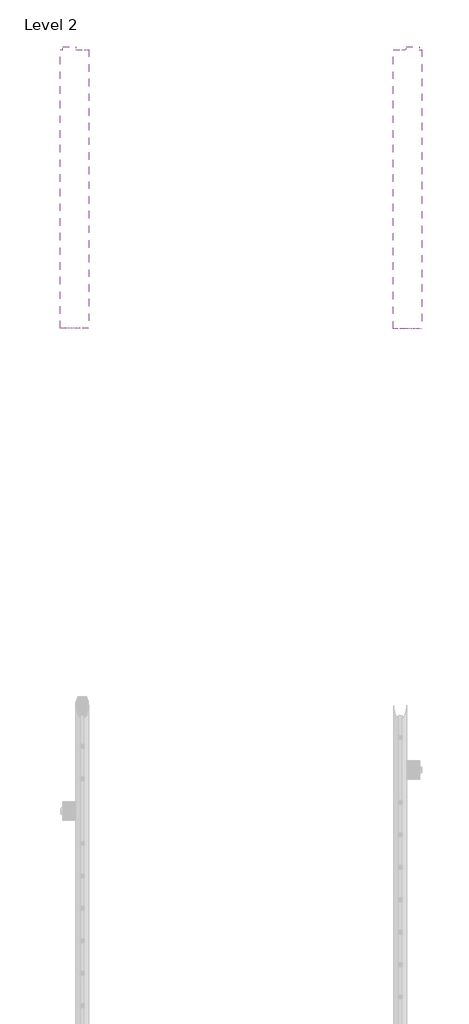
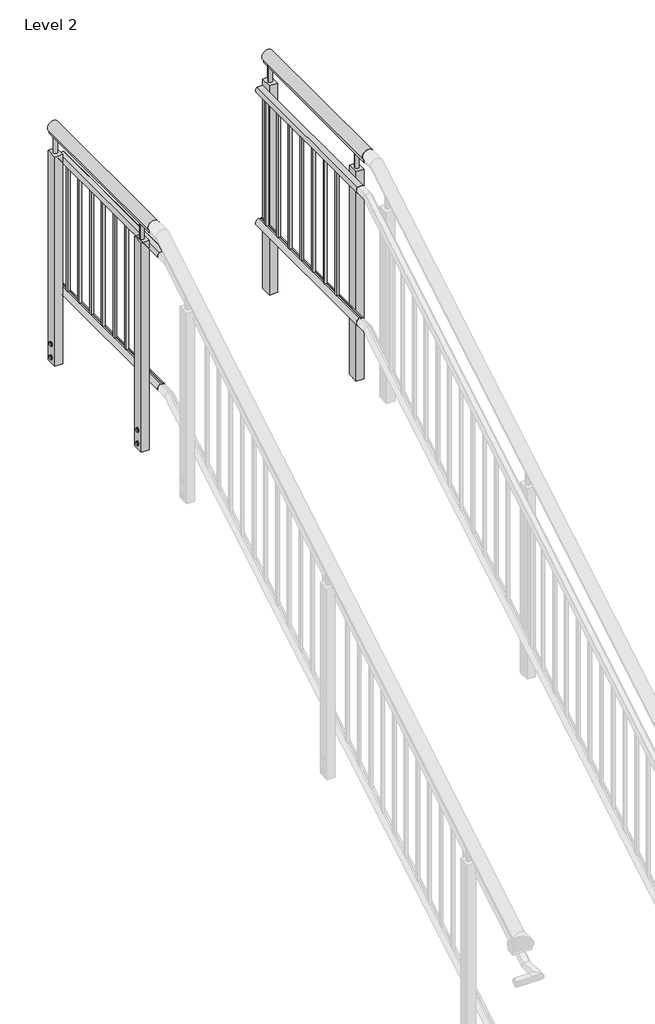
# One storey, part 4 of 4: 2 railings.
"""IFC4 building model written with IfcOpenShell, lengths in millimetres."""

from ifc_helpers import new_model, si_unit, point, frame, frame_2d, origin, place, context, project, spatial, polyline, circle_curve, trimmed, segment, composite_curve, outline, extrude, element, save

model = new_model("IFC4")

# Units and contexts
model_context = context("Model", 3, world=origin())
ifc_project = project(units=[si_unit("LENGTHUNIT", "METRE", prefix="MILLI")], contexts=[model_context])

# Site, building, storey
site = spatial("IfcSite", under=ifc_project)
building = spatial("IfcBuilding", under=site)
storey = spatial("IfcBuildingStorey", under=building, Name="Level 2", Elevation=4000.0)

# Railings
placement = place(None, origin())
element("IfcRailing", 1, ObjectType="MT_Accessible stair with Balustrade_Level 4", at=placement, inside=storey, context=model_context, shape_type="SweptSolid", body=[
    extrude(outline(composite_curve([segment(trimmed(circle_curve(frame_2d((6710.0, -1187.9698503)), 28.3397674), [point((6690.8057322, -1167.1198503))], [point((6690.8057322, -1208.8198503))], False, "CARTESIAN"), True, "CONTINUOUS"), segment(polyline([(6690.8057322, -1208.8198503), (6678.0, -1208.8198503), (6678.0, -1167.1198503), (6690.8057322, -1167.1198503)]), True, "CONTINUOUS")], self_intersect=False)), frame((0.0, 2567.5153131, 0.0), z_axis=(0.0, 1.0, 0.0), x_axis=(0.0, 0.0, 1.0)), (0.0, 0.0, 1.0), 859.0),
    extrude(outline(composite_curve([segment(trimmed(circle_curve(frame_2d((6545.0, -1148.8300828)), 20.0), [point((6525.9454038, -1142.7537055))], [point((6560.0, -1135.6013263))], False, "CARTESIAN"), True, "CONTINUOUS"), segment(polyline([(6560.0, -1135.6013263), (6560.0, -1162.0588394)]), True, "CONTINUOUS"), segment(trimmed(circle_curve(frame_2d((6545.0, -1148.8300828)), 20.0), [point((6560.0, -1162.0588394))], [point((6525.7728949, -1154.3363))], False, "CARTESIAN"), True, "CONTINUOUS"), segment(polyline([(6525.7728949, -1154.3363), (6530.0, -1154.3363), (6530.0, -1142.7537055), (6525.9454038, -1142.7537055)]), True, "CONTINUOUS")], self_intersect=False)), frame((0.0, 2567.5153131, 0.0), z_axis=(0.0, 1.0, 0.0), x_axis=(0.0, 0.0, 1.0)), (0.0, 0.0, 1.0), 859.0),
    extrude(outline(composite_curve([segment(trimmed(circle_curve(frame_2d((5854.2, -1148.8300828)), 20.0), [point((5873.2545962, -1154.9064602))], [point((5839.2, -1162.0588394))], False, "CARTESIAN"), True, "CONTINUOUS"), segment(polyline([(5839.2, -1162.0588394), (5839.2, -1135.6013263)]), True, "CONTINUOUS"), segment(trimmed(circle_curve(frame_2d((5854.2, -1148.8300828)), 20.0), [point((5839.2, -1135.6013263))], [point((5873.4271051, -1143.3238656))], False, "CARTESIAN"), True, "CONTINUOUS"), segment(polyline([(5873.4271051, -1143.3238656), (5869.2, -1143.3238656), (5869.2, -1154.9064602), (5873.2545962, -1154.9064602)]), True, "CONTINUOUS")], self_intersect=False)), frame((0.0, 2567.5153131, 0.0), z_axis=(0.0, 1.0, 0.0), x_axis=(0.0, 0.0, 1.0)), (0.0, 0.0, 1.0), 859.0),
    extrude(outline(polyline([(-1142.8300828, 3361.5153131), (-1154.8300828, 3361.5153131), (-1154.8300828, 3373.5153131), (-1142.8300828, 3373.5153131), (-1142.8300828, 3361.5153131)])), frame((0.0, 0.0, 5873.4271051), z_axis=(0.0, 0.0, 1.0), x_axis=(1.0, 0.0, 0.0)), (0.0, 0.0, 1.0), 656.5728949),
    extrude(outline(polyline([(-1142.8300828, 3261.5153131), (-1154.8300828, 3261.5153131), (-1154.8300828, 3273.5153131), (-1142.8300828, 3273.5153131), (-1142.8300828, 3261.5153131)])), frame((0.0, 0.0, 5873.4271051), z_axis=(0.0, 0.0, 1.0), x_axis=(1.0, 0.0, 0.0)), (0.0, 0.0, 1.0), 656.5728949),
    extrude(outline(polyline([(-1142.8300828, 3161.5153131), (-1154.8300828, 3161.5153131), (-1154.8300828, 3173.5153131), (-1142.8300828, 3173.5153131), (-1142.8300828, 3161.5153131)])), frame((0.0, 0.0, 5873.4271051), z_axis=(0.0, 0.0, 1.0), x_axis=(1.0, 0.0, 0.0)), (0.0, 0.0, 1.0), 656.5728949),
    extrude(outline(polyline([(-1142.8300828, 3061.5153131), (-1154.8300828, 3061.5153131), (-1154.8300828, 3073.5153131), (-1142.8300828, 3073.5153131), (-1142.8300828, 3061.5153131)])), frame((0.0, 0.0, 5873.4271051), z_axis=(0.0, 0.0, 1.0), x_axis=(1.0, 0.0, 0.0)), (0.0, 0.0, 1.0), 656.5728949),
    extrude(outline(polyline([(-1142.8300828, 2961.5153131), (-1154.8300828, 2961.5153131), (-1154.8300828, 2973.5153131), (-1142.8300828, 2973.5153131), (-1142.8300828, 2961.5153131)])), frame((0.0, 0.0, 5873.4271051), z_axis=(0.0, 0.0, 1.0), x_axis=(1.0, 0.0, 0.0)), (0.0, 0.0, 1.0), 656.5728949),
    extrude(outline(polyline([(-1142.8300828, 2861.5153131), (-1154.8300828, 2861.5153131), (-1154.8300828, 2873.5153131), (-1142.8300828, 2873.5153131), (-1142.8300828, 2861.5153131)])), frame((0.0, 0.0, 5873.4271051), z_axis=(0.0, 0.0, 1.0), x_axis=(1.0, 0.0, 0.0)), (0.0, 0.0, 1.0), 656.5728949),
    extrude(outline(polyline([(-1142.8300828, 2761.5153131), (-1154.8300828, 2761.5153131), (-1154.8300828, 2773.5153131), (-1142.8300828, 2773.5153131), (-1142.8300828, 2761.5153131)])), frame((0.0, 0.0, 5873.4271051), z_axis=(0.0, 0.0, 1.0), x_axis=(1.0, 0.0, 0.0)), (0.0, 0.0, 1.0), 656.5728949),
    extrude(outline(polyline([(3406.5153131, 5535.7470054), (3416.5153131, 5529.9735027), (3416.5153131, 5518.4264973), (3406.5153131, 5512.6529946), (3396.5153131, 5518.4264973), (3396.5153131, 5529.9735027), (3406.5153131, 5535.7470054)])), frame((-1212.8300828, 0.0, 0.0), z_axis=(1.0, 0.0, 0.0), x_axis=(0.0, 1.0, 0.0)), (0.0, 0.0, 1.0), 4.0),
    extrude(outline(polyline([(3406.5153131, 5605.7470054), (3416.5153131, 5599.9735027), (3416.5153131, 5588.4264973), (3406.5153131, 5582.6529946), (3396.5153131, 5588.4264973), (3396.5153131, 5599.9735027), (3406.5153131, 5605.7470054)])), frame((-1212.8300828, 0.0, 0.0), z_axis=(1.0, 0.0, 0.0), x_axis=(0.0, 1.0, 0.0)), (0.0, 0.0, 1.0), 4.0),
    extrude(outline(composite_curve([segment(trimmed(circle_curve(frame_2d((3406.5153131, 5524.2)), 8.0), [point((3398.5153131, 5524.2))], [point((3414.5153131, 5524.2))], False, "CARTESIAN"), True, "CONTINUOUS"), segment(trimmed(circle_curve(frame_2d((3406.5153131, 5524.2)), 8.0), [point((3414.5153131, 5524.2))], [point((3398.5153131, 5524.2))], False, "CARTESIAN"), True, "CONTINUOUS")], self_intersect=False)), frame((-1214.8300828, 0.0, 0.0), z_axis=(1.0, 0.0, 0.0), x_axis=(0.0, 1.0, 0.0)), (0.0, 0.0, 1.0), 6.0),
    extrude(outline(composite_curve([segment(trimmed(circle_curve(frame_2d((3406.5153131, 5594.2)), 8.0), [point((3398.5153131, 5594.2))], [point((3414.5153131, 5594.2))], False, "CARTESIAN"), True, "CONTINUOUS"), segment(trimmed(circle_curve(frame_2d((3406.5153131, 5594.2)), 8.0), [point((3414.5153131, 5594.2))], [point((3398.5153131, 5594.2))], False, "CARTESIAN"), True, "CONTINUOUS")], self_intersect=False)), frame((-1214.8300828, 0.0, 0.0), z_axis=(1.0, 0.0, 0.0), x_axis=(0.0, 1.0, 0.0)), (0.0, 0.0, 1.0), 6.0),
    extrude(outline(composite_curve([segment(trimmed(circle_curve(frame_2d((-1188.8300828, 3406.5153131)), 10.0), [point((-1198.8300828, 3406.5153131))], [point((-1178.8300828, 3406.5153131))], False, "CARTESIAN"), True, "CONTINUOUS"), segment(trimmed(circle_curve(frame_2d((-1188.8300828, 3406.5153131)), 10.0), [point((-1178.8300828, 3406.5153131))], [point((-1198.8300828, 3406.5153131))], False, "CARTESIAN"), True, "CONTINUOUS")], self_intersect=False)), frame((0.0, 0.0, 6585.0), z_axis=(0.0, 0.0, 1.0), x_axis=(1.0, 0.0, 0.0)), (0.0, 0.0, 1.0), 100.0),
    extrude(outline(polyline([(-1168.8300828, 3377.5153131), (-1208.8300828, 3377.5153131), (-1208.8300828, 3435.5153131), (-1168.8300828, 3435.5153131), (-1168.8300828, 3377.5153131)])), frame((0.0, 0.0, 5494.2), z_axis=(0.0, 0.0, 1.0), x_axis=(1.0, 0.0, 0.0)), (0.0, 0.0, 1.0), 1090.8),
    extrude(outline(polyline([(2667.5153131, 5535.7470054), (2677.5153131, 5529.9735027), (2677.5153131, 5518.4264973), (2667.5153131, 5512.6529946), (2657.5153131, 5518.4264973), (2657.5153131, 5529.9735027), (2667.5153131, 5535.7470054)])), frame((-1212.8300828, 0.0, 0.0), z_axis=(1.0, 0.0, 0.0), x_axis=(0.0, 1.0, 0.0)), (0.0, 0.0, 1.0), 4.0),
    extrude(outline(polyline([(2667.5153131, 5605.7470054), (2677.5153131, 5599.9735027), (2677.5153131, 5588.4264973), (2667.5153131, 5582.6529946), (2657.5153131, 5588.4264973), (2657.5153131, 5599.9735027), (2667.5153131, 5605.7470054)])), frame((-1212.8300828, 0.0, 0.0), z_axis=(1.0, 0.0, 0.0), x_axis=(0.0, 1.0, 0.0)), (0.0, 0.0, 1.0), 4.0),
    extrude(outline(composite_curve([segment(trimmed(circle_curve(frame_2d((2667.5153131, 5524.2)), 8.0), [point((2659.5153131, 5524.2))], [point((2675.5153131, 5524.2))], False, "CARTESIAN"), True, "CONTINUOUS"), segment(trimmed(circle_curve(frame_2d((2667.5153131, 5524.2)), 8.0), [point((2675.5153131, 5524.2))], [point((2659.5153131, 5524.2))], False, "CARTESIAN"), True, "CONTINUOUS")], self_intersect=False)), frame((-1214.8300828, 0.0, 0.0), z_axis=(1.0, 0.0, 0.0), x_axis=(0.0, 1.0, 0.0)), (0.0, 0.0, 1.0), 6.0),
    extrude(outline(composite_curve([segment(trimmed(circle_curve(frame_2d((2667.5153131, 5594.2)), 8.0), [point((2659.5153131, 5594.2))], [point((2675.5153131, 5594.2))], False, "CARTESIAN"), True, "CONTINUOUS"), segment(trimmed(circle_curve(frame_2d((2667.5153131, 5594.2)), 8.0), [point((2675.5153131, 5594.2))], [point((2659.5153131, 5594.2))], False, "CARTESIAN"), True, "CONTINUOUS")], self_intersect=False)), frame((-1214.8300828, 0.0, 0.0), z_axis=(1.0, 0.0, 0.0), x_axis=(0.0, 1.0, 0.0)), (0.0, 0.0, 1.0), 6.0),
    extrude(outline(composite_curve([segment(trimmed(circle_curve(frame_2d((-1188.8300828, 2667.5153131)), 10.0), [point((-1198.8300828, 2667.5153131))], [point((-1178.8300828, 2667.5153131))], False, "CARTESIAN"), True, "CONTINUOUS"), segment(trimmed(circle_curve(frame_2d((-1188.8300828, 2667.5153131)), 10.0), [point((-1178.8300828, 2667.5153131))], [point((-1198.8300828, 2667.5153131))], False, "CARTESIAN"), True, "CONTINUOUS")], self_intersect=False)), frame((0.0, 0.0, 6585.0), z_axis=(0.0, 0.0, 1.0), x_axis=(1.0, 0.0, 0.0)), (0.0, 0.0, 1.0), 100.0),
    extrude(outline(polyline([(-1168.8300828, 2638.5153131), (-1208.8300828, 2638.5153131), (-1208.8300828, 2696.5153131), (-1168.8300828, 2696.5153131), (-1168.8300828, 2638.5153131)])), frame((0.0, 0.0, 5494.2), z_axis=(0.0, 0.0, 1.0), x_axis=(1.0, 0.0, 0.0)), (0.0, 0.0, 1.0), 1090.8),
])
element("IfcRailing", 2, ObjectType="MT_Accessible stair with Balustrade_Level 4", at=placement, inside=storey, context=model_context, shape_type="SweptSolid", body=[
    extrude(outline(composite_curve([segment(trimmed(circle_curve(frame_2d((6710.0, -130.4903154)), 28.3397674), [point((6690.8057322, -109.6403154))], [point((6690.8057322, -151.3403154))], False, "CARTESIAN"), True, "CONTINUOUS"), segment(polyline([(6690.8057322, -151.3403154), (6678.0, -151.3403154), (6678.0, -109.6403154), (6690.8057322, -109.6403154)]), True, "CONTINUOUS")], self_intersect=False)), frame((0.0, 2566.5153131, 0.0), z_axis=(0.0, 1.0, 0.0), x_axis=(0.0, 0.0, 1.0)), (0.0, 0.0, 1.0), 860.0),
    extrude(outline(composite_curve([segment(polyline([(6525.9454038, -175.7064602), (6530.0, -175.7064602), (6530.0, -164.1238656), (6525.7728949, -164.1238656)]), True, "CONTINUOUS"), segment(trimmed(circle_curve(frame_2d((6545.0, -169.6300828)), 20.0), [point((6525.7728949, -164.1238656))], [point((6560.0, -156.4013263))], False, "CARTESIAN"), True, "CONTINUOUS"), segment(polyline([(6560.0, -156.4013263), (6560.0, -182.8588394)]), True, "CONTINUOUS"), segment(trimmed(circle_curve(frame_2d((6545.0, -169.6300828)), 20.0), [point((6560.0, -182.8588394))], [point((6525.9454038, -175.7064602))], False, "CARTESIAN"), True, "CONTINUOUS")], self_intersect=False)), frame((0.0, 2566.5153131, 0.0), z_axis=(0.0, 1.0, 0.0), x_axis=(0.0, 0.0, 1.0)), (0.0, 0.0, 1.0), 860.0),
    extrude(outline(composite_curve([segment(polyline([(5873.2545962, -163.5537055), (5869.2, -163.5537055), (5869.2, -175.1363), (5873.4271051, -175.1363)]), True, "CONTINUOUS"), segment(trimmed(circle_curve(frame_2d((5854.2, -169.6300828)), 20.0), [point((5873.4271051, -175.1363))], [point((5839.2, -182.8588394))], False, "CARTESIAN"), True, "CONTINUOUS"), segment(polyline([(5839.2, -182.8588394), (5839.2, -156.4013263)]), True, "CONTINUOUS"), segment(trimmed(circle_curve(frame_2d((5854.2, -169.6300828)), 20.0), [point((5839.2, -156.4013263))], [point((5873.2545962, -163.5537055))], False, "CARTESIAN"), True, "CONTINUOUS")], self_intersect=False)), frame((0.0, 2566.5153131, 0.0), z_axis=(0.0, 1.0, 0.0), x_axis=(0.0, 0.0, 1.0)), (0.0, 0.0, 1.0), 860.0),
    extrude(outline(polyline([(-175.6300828, 3360.5153131), (-175.6300828, 3372.5153131), (-163.6300828, 3372.5153131), (-163.6300828, 3360.5153131), (-175.6300828, 3360.5153131)])), frame((0.0, 0.0, 5873.4271051), z_axis=(0.0, 0.0, 1.0), x_axis=(1.0, 0.0, 0.0)), (0.0, 0.0, 1.0), 656.5728949),
    extrude(outline(polyline([(-175.6300828, 3260.5153131), (-175.6300828, 3272.5153131), (-163.6300828, 3272.5153131), (-163.6300828, 3260.5153131), (-175.6300828, 3260.5153131)])), frame((0.0, 0.0, 5873.4271051), z_axis=(0.0, 0.0, 1.0), x_axis=(1.0, 0.0, 0.0)), (0.0, 0.0, 1.0), 656.5728949),
    extrude(outline(polyline([(-175.6300828, 3160.5153131), (-175.6300828, 3172.5153131), (-163.6300828, 3172.5153131), (-163.6300828, 3160.5153131), (-175.6300828, 3160.5153131)])), frame((0.0, 0.0, 5873.4271051), z_axis=(0.0, 0.0, 1.0), x_axis=(1.0, 0.0, 0.0)), (0.0, 0.0, 1.0), 656.5728949),
    extrude(outline(polyline([(-175.6300828, 3060.5153131), (-175.6300828, 3072.5153131), (-163.6300828, 3072.5153131), (-163.6300828, 3060.5153131), (-175.6300828, 3060.5153131)])), frame((0.0, 0.0, 5873.4271051), z_axis=(0.0, 0.0, 1.0), x_axis=(1.0, 0.0, 0.0)), (0.0, 0.0, 1.0), 656.5728949),
    extrude(outline(polyline([(-175.6300828, 2960.5153131), (-175.6300828, 2972.5153131), (-163.6300828, 2972.5153131), (-163.6300828, 2960.5153131), (-175.6300828, 2960.5153131)])), frame((0.0, 0.0, 5873.4271051), z_axis=(0.0, 0.0, 1.0), x_axis=(1.0, 0.0, 0.0)), (0.0, 0.0, 1.0), 656.5728949),
    extrude(outline(polyline([(-175.6300828, 2860.5153131), (-175.6300828, 2872.5153131), (-163.6300828, 2872.5153131), (-163.6300828, 2860.5153131), (-175.6300828, 2860.5153131)])), frame((0.0, 0.0, 5873.4271051), z_axis=(0.0, 0.0, 1.0), x_axis=(1.0, 0.0, 0.0)), (0.0, 0.0, 1.0), 656.5728949),
    extrude(outline(polyline([(-175.6300828, 2760.5153131), (-175.6300828, 2772.5153131), (-163.6300828, 2772.5153131), (-163.6300828, 2760.5153131), (-175.6300828, 2760.5153131)])), frame((0.0, 0.0, 5873.4271051), z_axis=(0.0, 0.0, 1.0), x_axis=(1.0, 0.0, 0.0)), (0.0, 0.0, 1.0), 656.5728949),
    extrude(outline(polyline([(3406.5153131, 5535.7470054), (3416.5153131, 5529.9735027), (3416.5153131, 5518.4264973), (3406.5153131, 5512.6529946), (3396.5153131, 5518.4264973), (3396.5153131, 5529.9735027), (3406.5153131, 5535.7470054)])), frame((-109.6300828, 0.0, 0.0), z_axis=(1.0, 0.0, 0.0), x_axis=(0.0, 1.0, 0.0)), (0.0, 0.0, 1.0), 4.0),
    extrude(outline(polyline([(3406.5153131, 5605.7470054), (3416.5153131, 5599.9735027), (3416.5153131, 5588.4264973), (3406.5153131, 5582.6529946), (3396.5153131, 5588.4264973), (3396.5153131, 5599.9735027), (3406.5153131, 5605.7470054)])), frame((-109.6300828, 0.0, 0.0), z_axis=(1.0, 0.0, 0.0), x_axis=(0.0, 1.0, 0.0)), (0.0, 0.0, 1.0), 4.0),
    extrude(outline(composite_curve([segment(trimmed(circle_curve(frame_2d((3406.5153131, 5524.2)), 8.0), [point((3398.5153131, 5524.2))], [point((3414.5153131, 5524.2))], False, "CARTESIAN"), True, "CONTINUOUS"), segment(trimmed(circle_curve(frame_2d((3406.5153131, 5524.2)), 8.0), [point((3414.5153131, 5524.2))], [point((3398.5153131, 5524.2))], False, "CARTESIAN"), True, "CONTINUOUS")], self_intersect=False)), frame((-109.6300828, 0.0, 0.0), z_axis=(1.0, 0.0, 0.0), x_axis=(0.0, 1.0, 0.0)), (0.0, 0.0, 1.0), 6.0),
    extrude(outline(composite_curve([segment(trimmed(circle_curve(frame_2d((3406.5153131, 5594.2)), 8.0), [point((3398.5153131, 5594.2))], [point((3414.5153131, 5594.2))], False, "CARTESIAN"), True, "CONTINUOUS"), segment(trimmed(circle_curve(frame_2d((3406.5153131, 5594.2)), 8.0), [point((3414.5153131, 5594.2))], [point((3398.5153131, 5594.2))], False, "CARTESIAN"), True, "CONTINUOUS")], self_intersect=False)), frame((-109.6300828, 0.0, 0.0), z_axis=(1.0, 0.0, 0.0), x_axis=(0.0, 1.0, 0.0)), (0.0, 0.0, 1.0), 6.0),
    extrude(outline(composite_curve([segment(trimmed(circle_curve(frame_2d((-129.6300828, 3406.5153131)), 10.0), [point((-119.6300828, 3406.5153131))], [point((-139.6300828, 3406.5153131))], False, "CARTESIAN"), True, "CONTINUOUS"), segment(trimmed(circle_curve(frame_2d((-129.6300828, 3406.5153131)), 10.0), [point((-139.6300828, 3406.5153131))], [point((-119.6300828, 3406.5153131))], False, "CARTESIAN"), True, "CONTINUOUS")], self_intersect=False)), frame((0.0, 0.0, 6585.0), z_axis=(0.0, 0.0, 1.0), x_axis=(1.0, 0.0, 0.0)), (0.0, 0.0, 1.0), 100.0),
    extrude(outline(polyline([(-149.6300828, 3377.5153131), (-149.6300828, 3435.5153131), (-109.6300828, 3435.5153131), (-109.6300828, 3377.5153131), (-149.6300828, 3377.5153131)])), frame((0.0, 0.0, 5494.2), z_axis=(0.0, 0.0, 1.0), x_axis=(1.0, 0.0, 0.0)), (0.0, 0.0, 1.0), 1090.8),
    extrude(outline(polyline([(2666.5153131, 5535.7470054), (2676.5153131, 5529.9735027), (2676.5153131, 5518.4264973), (2666.5153131, 5512.6529946), (2656.5153131, 5518.4264973), (2656.5153131, 5529.9735027), (2666.5153131, 5535.7470054)])), frame((-109.6300828, 0.0, 0.0), z_axis=(1.0, 0.0, 0.0), x_axis=(0.0, 1.0, 0.0)), (0.0, 0.0, 1.0), 4.0),
    extrude(outline(polyline([(2666.5153131, 5605.7470054), (2676.5153131, 5599.9735027), (2676.5153131, 5588.4264973), (2666.5153131, 5582.6529946), (2656.5153131, 5588.4264973), (2656.5153131, 5599.9735027), (2666.5153131, 5605.7470054)])), frame((-109.6300828, 0.0, 0.0), z_axis=(1.0, 0.0, 0.0), x_axis=(0.0, 1.0, 0.0)), (0.0, 0.0, 1.0), 4.0),
    extrude(outline(composite_curve([segment(trimmed(circle_curve(frame_2d((2666.5153131, 5524.2)), 8.0), [point((2658.5153131, 5524.2))], [point((2674.5153131, 5524.2))], False, "CARTESIAN"), True, "CONTINUOUS"), segment(trimmed(circle_curve(frame_2d((2666.5153131, 5524.2)), 8.0), [point((2674.5153131, 5524.2))], [point((2658.5153131, 5524.2))], False, "CARTESIAN"), True, "CONTINUOUS")], self_intersect=False)), frame((-109.6300828, 0.0, 0.0), z_axis=(1.0, 0.0, 0.0), x_axis=(0.0, 1.0, 0.0)), (0.0, 0.0, 1.0), 6.0),
    extrude(outline(composite_curve([segment(trimmed(circle_curve(frame_2d((2666.5153131, 5594.2)), 8.0), [point((2658.5153131, 5594.2))], [point((2674.5153131, 5594.2))], False, "CARTESIAN"), True, "CONTINUOUS"), segment(trimmed(circle_curve(frame_2d((2666.5153131, 5594.2)), 8.0), [point((2674.5153131, 5594.2))], [point((2658.5153131, 5594.2))], False, "CARTESIAN"), True, "CONTINUOUS")], self_intersect=False)), frame((-109.6300828, 0.0, 0.0), z_axis=(1.0, 0.0, 0.0), x_axis=(0.0, 1.0, 0.0)), (0.0, 0.0, 1.0), 6.0),
    extrude(outline(composite_curve([segment(trimmed(circle_curve(frame_2d((-129.6300828, 2666.5153131)), 10.0), [point((-119.6300828, 2666.5153131))], [point((-139.6300828, 2666.5153131))], False, "CARTESIAN"), True, "CONTINUOUS"), segment(trimmed(circle_curve(frame_2d((-129.6300828, 2666.5153131)), 10.0), [point((-139.6300828, 2666.5153131))], [point((-119.6300828, 2666.5153131))], False, "CARTESIAN"), True, "CONTINUOUS")], self_intersect=False)), frame((0.0, 0.0, 6585.0), z_axis=(0.0, 0.0, 1.0), x_axis=(1.0, 0.0, 0.0)), (0.0, 0.0, 1.0), 100.0),
    extrude(outline(polyline([(-149.6300828, 2637.5153131), (-149.6300828, 2695.5153131), (-109.6300828, 2695.5153131), (-109.6300828, 2637.5153131), (-149.6300828, 2637.5153131)])), frame((0.0, 0.0, 5494.2), z_axis=(0.0, 0.0, 1.0), x_axis=(1.0, 0.0, 0.0)), (0.0, 0.0, 1.0), 1090.8),
])

save(model, "model.ifc")
